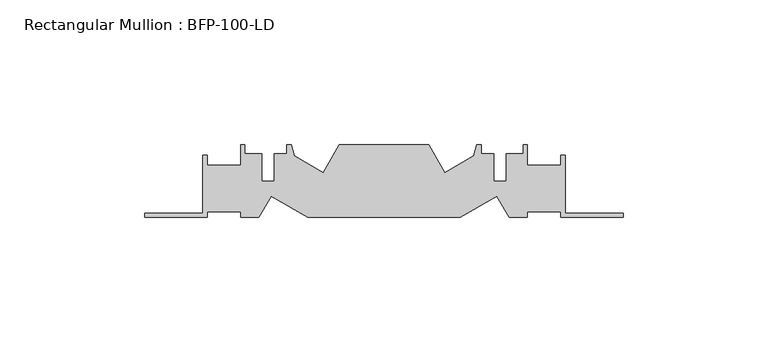
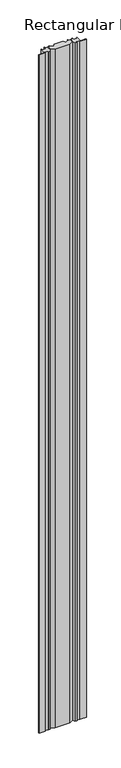
"""IFC4 building model written with IfcOpenShell, lengths in millimetres: member geometry, Rectangular Mullion : BFP-100-LD."""

from ifc_helpers import new_model, si_unit, frame, origin, place, context, project, spatial, polyline, outline, extrude, source, transform, mapped, element, save


def rectangular_mullion_bfp_100_ld_94dc2fd1(model_context):
    return source(origin(), model_context, "Body", "SweptSolid", [
        extrude(outline(polyline([(-121.4790017, 27.3331761), (-125.7128129, 20.0), (-132.0, 20.0), (-132.0, 22.0), (-143.5, 22.0), (-143.5, 20.0), (-165.0, 20.0), (-165.0, 21.5), (-145.0, 21.5), (-145.0, 41.5), (-143.5, 41.5), (-143.5, 38.0), (-132.0, 38.0), (-132.0, 45.0), (-130.5, 45.0), (-130.5, 42.0), (-124.6, 42.0), (-124.6, 32.4), (-120.4, 32.4), (-120.4, 42.0), (-116.0, 42.0), (-116.0, 45.0), (-114.5, 45.0), (-113.4790017, 41.1895826), (-103.5197096, 35.4395826), (-98.0, 45.0), (-67.0, 45.0), (-61.4802904, 35.4395826), (-51.5209983, 41.1895826), (-50.5, 45.0), (-49.0, 45.0), (-49.0, 42.0), (-44.6, 42.0), (-44.6, 32.4), (-40.4, 32.4), (-40.4, 42.0), (-34.5, 42.0), (-34.5, 45.0), (-33.0, 45.0), (-33.0, 38.0), (-21.5, 38.0), (-21.5, 41.5), (-20.0, 41.5), (-20.0, 21.5), (0.0, 21.5), (0.0, 20.0), (-21.5, 20.0), (-21.5, 22.0), (-33.0, 22.0), (-33.0, 20.0), (-39.2871871, 20.0), (-43.5209983, 27.3331761), (-56.2224319, 20.0), (-108.7775681, 20.0), (-121.4790017, 27.3331761)])), frame((0.0, 0.0, -2490.0), z_axis=(0.0, 0.0, 1.0), x_axis=(1.0, 0.0, 0.0)), (0.0, 0.0, 1.0), 2490.0),
    ])


if __name__ == "__main__":
    model = new_model("IFC4")
    model_context = context("Model", 3, world=origin())
    ifc_project = project(units=[si_unit("LENGTHUNIT", "METRE", prefix="MILLI")], contexts=[model_context])
    site = spatial("IfcSite", under=ifc_project)
    building = spatial("IfcBuilding", under=site)
    placement = place(None, origin())
    rectangular_mullion_bfp_100_ld_shape = rectangular_mullion_bfp_100_ld_94dc2fd1(model_context)
    element("IfcMember", 1, ObjectType="Rectangular Mullion : BFP-100-LD", at=placement, inside=building, context=model_context, shape_type="MappedRepresentation", body=[
        mapped(rectangular_mullion_bfp_100_ld_shape, transform((0.0, 0.0, 0.0), x_axis=(1.0, 0.0, 0.0), y_axis=(0.0, 1.0, 0.0), z_axis=(0.0, 0.0, 1.0))),
    ])
    save(model, "model.ifc")
